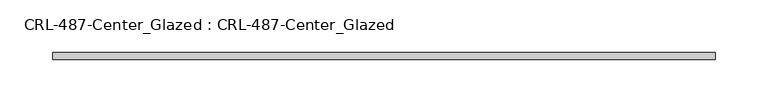
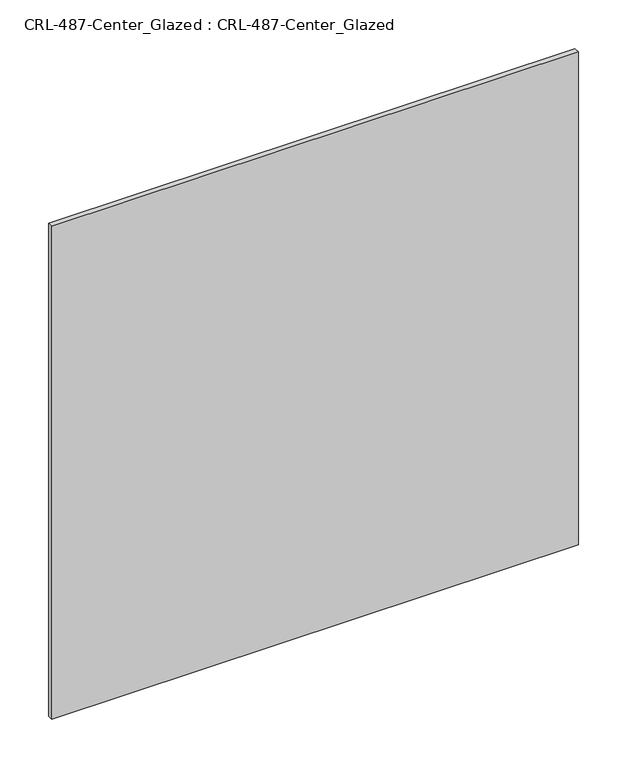
"""IFC4 building model written with IfcOpenShell, lengths in millimetres: plate geometry, CRL-487-Center_Glazed : CRL-487-Center_Glazed."""

from ifc_helpers import new_model, si_unit, origin, origin_with_axes, place, context, project, spatial, polyline, outline, extrude, source, transform, mapped, element, save


def crl_487_center_glazed_crl_487_center_glazed_d07e4b87(model_context):
    return source(origin(), model_context, "Body", "SweptSolid", [
        extrude(outline(polyline([(313.53125, -3.1749999), (-313.53125, -3.1749999), (-313.53125, 3.1749999), (313.53125, 3.1749999), (313.53125, -3.1749999)])), origin_with_axes(), (0.0, 0.0, 1.0), 620.7252),
    ])


if __name__ == "__main__":
    model = new_model("IFC4")
    model_context = context("Model", 3, world=origin())
    ifc_project = project(units=[si_unit("LENGTHUNIT", "METRE", prefix="MILLI")], contexts=[model_context])
    site = spatial("IfcSite", under=ifc_project)
    building = spatial("IfcBuilding", under=site)
    placement = place(None, origin())
    crl_487_center_glazed_crl_487_center_glazed_shape = crl_487_center_glazed_crl_487_center_glazed_d07e4b87(model_context)
    element("IfcPlate", 1, ObjectType="CRL-487-Center_Glazed : CRL-487-Center_Glazed", at=placement, inside=building, context=model_context, shape_type="MappedRepresentation", body=[
        mapped(crl_487_center_glazed_crl_487_center_glazed_shape, transform((0.0, 0.0, 0.0), x_axis=(1.0, 0.0, 0.0), y_axis=(0.0, 1.0, 0.0), z_axis=(0.0, 0.0, 1.0))),
    ])
    save(model, "model.ifc")
